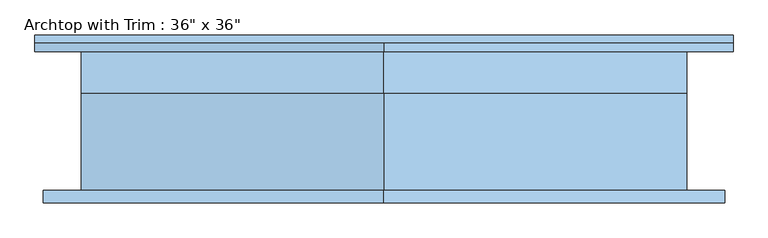
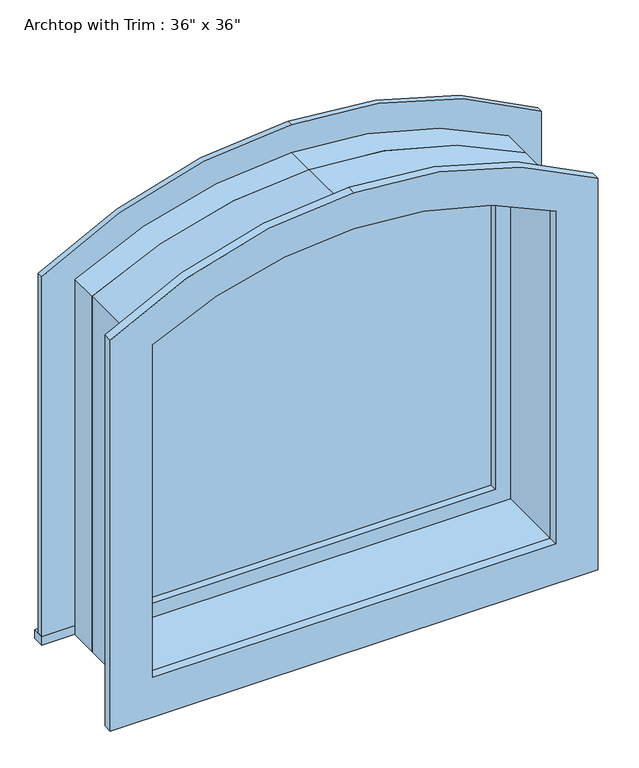
"""IFC4 building model written with IfcOpenShell, lengths in millimetres: window geometry."""

from ifc_helpers import new_model, si_unit, point, frame, frame_2d, origin, place, context, project, spatial, polyline, circle_curve, trimmed, segment, composite_curve, outline, extrude, source, transform, mapped, element, save


def window_190cc9af(model_context):
    return source(origin(), model_context, "Body", "SweptSolid", [
        extrude(outline(composite_curve([segment(polyline([(641.35, 450.130298), (1390.4176484, 450.130298)]), True, "CONTINUOUS"), segment(trimmed(circle_curve(frame_2d((609.6, 11.980298)), 895.35), [point((1390.4176484, 450.130298))], [point((1504.95, 11.980298))], False, "CARTESIAN"), True, "CONTINUOUS"), segment(trimmed(circle_curve(frame_2d((609.6, 11.980298)), 895.35), [point((1504.95, 11.980298))], [point((1390.4176484, -426.1697019))], False, "CARTESIAN"), True, "CONTINUOUS"), segment(polyline([(1390.4176484, -426.1697019), (641.35, -426.1697019), (641.35, 450.130298)]), True, "CONTINUOUS")], self_intersect=False), holes=[composite_curve([segment(polyline([(673.1, 405.680298), (673.1, -381.719702), (1367.5211144, -381.719702)]), True, "CONTINUOUS"), segment(trimmed(circle_curve(frame_2d((609.6, 11.980298)), 854.075), [point((1367.5211144, -381.719702))], [point((1463.675, 11.980298))], True, "CARTESIAN"), True, "CONTINUOUS"), segment(trimmed(circle_curve(frame_2d((609.6, 11.980298)), 854.075), [point((1463.675, 11.980298))], [point((1367.5211144, 405.680298))], True, "CARTESIAN"), True, "CONTINUOUS"), segment(polyline([(1367.5211144, 405.680298), (673.1, 405.680298)]), True, "CONTINUOUS")], self_intersect=False)]), frame((0.0, 41.275, 0.0), z_axis=(0.0, 1.0, 0.0), x_axis=(0.0, 0.0, 1.0)), (0.0, 0.0, 1.0), 44.45),
        extrude(outline(polyline([(-515.0697019, 130.175), (539.030298, 130.175), (539.030298, 104.775), (-515.0697019, 104.775), (-515.0697019, 130.175)])), frame((0.0, 0.0, 609.6), z_axis=(0.0, 0.0, 1.0), x_axis=(1.0, 0.0, 0.0)), (0.0, 0.0, 1.0), 19.05),
        extrude(outline(composite_curve([segment(polyline([(628.65, 450.1302979), (628.65, 539.030298), (1431.5462001, 539.030298)]), True, "CONTINUOUS"), segment(trimmed(circle_curve(frame_2d((609.6, 11.980298)), 976.4103944), [point((1431.5462001, 539.030298))], [point((1586.0103944, 11.980298))], False, "CARTESIAN"), True, "CONTINUOUS"), segment(trimmed(circle_curve(frame_2d((609.6, 11.980298)), 976.4103944), [point((1586.0103944, 11.980298))], [point((1431.5462002, -515.0697019))], False, "CARTESIAN"), True, "CONTINUOUS"), segment(polyline([(1431.5462002, -515.0697019), (628.65, -515.0697019), (628.65, -426.1697019), (1390.4176484, -426.1697019)]), True, "CONTINUOUS"), segment(trimmed(circle_curve(frame_2d((609.6, 11.980298)), 895.35), [point((1390.4176484, -426.1697019))], [point((1504.95, 11.980298))], True, "CARTESIAN"), True, "CONTINUOUS"), segment(trimmed(circle_curve(frame_2d((609.6, 11.980298)), 895.35), [point((1504.95, 11.980298))], [point((1390.4176484, 450.1302979))], True, "CARTESIAN"), True, "CONTINUOUS"), segment(polyline([(1390.4176484, 450.1302979), (628.65, 450.1302979)]), True, "CONTINUOUS")], self_intersect=False)), frame((0.0, 104.775, 0.0), z_axis=(0.0, 1.0, 0.0), x_axis=(0.0, 0.0, 1.0)), (0.0, 0.0, 1.0), 12.7),
        extrude(outline(composite_curve([segment(polyline([(552.45, -502.369702), (552.45, 526.3302979), (1424.3785921, 526.3302979)]), True, "CONTINUOUS"), segment(trimmed(circle_curve(frame_2d((609.6, 11.980298)), 963.5455758), [point((1424.3785921, 526.3302979))], [point((1573.1455758, 11.980298))], False, "CARTESIAN"), True, "CONTINUOUS"), segment(trimmed(circle_curve(frame_2d((609.6, 11.980298)), 963.5455758), [point((1573.1455758, 11.980298))], [point((1424.3785921, -502.369702))], False, "CARTESIAN"), True, "CONTINUOUS"), segment(polyline([(1424.3785921, -502.369702), (552.45, -502.369702)]), True, "CONTINUOUS")], self_intersect=False), holes=[composite_curve([segment(polyline([(641.35, -413.4697027), (1382.9455369, -413.4697027)]), True, "CONTINUOUS"), segment(trimmed(circle_curve(frame_2d((609.6, 11.980298)), 882.65), [point((1382.9455369, -413.4697027))], [point((1492.25, 11.980298))], True, "CARTESIAN"), True, "CONTINUOUS"), segment(trimmed(circle_curve(frame_2d((609.6000002, 11.980298)), 882.6499998), [point((1492.25, 11.980298))], [point((1382.9455369, 437.4302987))], True, "CARTESIAN"), True, "CONTINUOUS"), segment(polyline([(1382.9455369, 437.4302987), (641.35, 437.4302987), (641.35, -413.4697027)]), True, "CONTINUOUS")], self_intersect=False)]), frame((0.0, -123.825, 0.0), z_axis=(0.0, 1.0, 0.0), x_axis=(0.0, 0.0, 1.0)), (0.0, 0.0, 1.0), 19.05),
        extrude(outline(composite_curve([segment(polyline([(673.1, -381.7197017), (673.1, 405.6802981), (1367.8186461, 405.6802981)]), True, "CONTINUOUS"), segment(trimmed(circle_curve(frame_2d((609.6, 11.9802983)), 854.3390458), [point((1367.8186461, 405.6802981))], [point((1463.9390458, 11.9802983))], False, "CARTESIAN"), True, "CONTINUOUS"), segment(trimmed(circle_curve(frame_2d((609.6, 11.9802983)), 854.3390458), [point((1463.9390458, 11.9802983))], [point((1367.818646, -381.7197017))], False, "CARTESIAN"), True, "CONTINUOUS"), segment(polyline([(1367.818646, -381.7197017), (673.1, -381.7197017)]), True, "CONTINUOUS")], self_intersect=False)), frame((0.0, 57.15, 0.0), z_axis=(0.0, 1.0, 0.0), x_axis=(0.0, 0.0, 1.0)), (0.0, 0.0, 1.0), 12.7),
        extrude(outline(composite_curve([segment(polyline([(609.6, 469.180298), (1401.4936292, 469.180298)]), True, "CONTINUOUS"), segment(trimmed(circle_curve(frame_2d((609.6, 11.980298)), 914.4), [point((1401.4936292, 469.180298))], [point((1524.0, 11.980298))], False, "CARTESIAN"), True, "CONTINUOUS"), segment(trimmed(circle_curve(frame_2d((609.6, 11.980298)), 914.4), [point((1524.0, 11.980298))], [point((1401.4936292, -445.219702))], False, "CARTESIAN"), True, "CONTINUOUS"), segment(polyline([(1401.4936292, -445.219702), (609.6, -445.219702), (609.6, 469.180298)]), True, "CONTINUOUS")], self_intersect=False), holes=[composite_curve([segment(polyline([(641.35, 437.4302987), (641.35, -413.469702), (1386.4470493, -413.469702)]), True, "CONTINUOUS"), segment(trimmed(circle_curve(frame_2d((609.6, 11.980298)), 885.7195044), [point((1386.4470493, -413.469702))], [point((1495.3195044, 11.980298))], True, "CARTESIAN"), True, "CONTINUOUS"), segment(trimmed(circle_curve(frame_2d((609.6, 11.980298)), 885.7195044), [point((1495.3195044, 11.980298))], [point((1386.4470489, 437.4302987))], True, "CARTESIAN"), True, "CONTINUOUS"), segment(polyline([(1386.4470489, 437.4302987), (641.35, 437.4302987)]), True, "CONTINUOUS")], self_intersect=False)]), frame((0.0, -104.775, 0.0), z_axis=(0.0, 1.0, 0.0), x_axis=(0.0, 0.0, 1.0)), (0.0, 0.0, 1.0), 146.05),
        extrude(outline(composite_curve([segment(polyline([(609.6, -445.219702), (609.6, 469.180298), (1401.4936292, 469.180298)]), True, "CONTINUOUS"), segment(trimmed(circle_curve(frame_2d((609.6, 11.980298)), 914.4), [point((1401.4936292, 469.180298))], [point((1524.0, 11.980298))], False, "CARTESIAN"), True, "CONTINUOUS"), segment(trimmed(circle_curve(frame_2d((609.6, 11.980298)), 914.4), [point((1524.0, 11.980298))], [point((1401.4936292, -445.219702))], False, "CARTESIAN"), True, "CONTINUOUS"), segment(polyline([(1401.4936292, -445.219702), (609.6, -445.219702)]), True, "CONTINUOUS")], self_intersect=False), holes=[composite_curve([segment(polyline([(628.65, -426.1697019), (1392.5004065, -426.1697019)]), True, "CONTINUOUS"), segment(trimmed(circle_curve(frame_2d((609.6, 11.980298)), 897.1669125), [point((1392.5004065, -426.1697019))], [point((1506.7669125, 11.980298))], True, "CARTESIAN"), True, "CONTINUOUS"), segment(trimmed(circle_curve(frame_2d((609.6, 11.980298)), 897.1669125), [point((1506.7669125, 11.980298))], [point((1392.5004065, 450.130298))], True, "CARTESIAN"), True, "CONTINUOUS"), segment(polyline([(1392.5004065, 450.130298), (628.65, 450.130298), (628.65, -426.1697019)]), True, "CONTINUOUS")], self_intersect=False)]), frame((0.0, 41.275, 0.0), z_axis=(0.0, 1.0, 0.0), x_axis=(0.0, 0.0, 1.0)), (0.0, 0.0, 1.0), 63.5),
    ])


if __name__ == "__main__":
    model = new_model("IFC4")
    model_context = context("Model", 3, world=origin())
    ifc_project = project(units=[si_unit("LENGTHUNIT", "METRE", prefix="MILLI")], contexts=[model_context])
    site = spatial("IfcSite", under=ifc_project)
    building = spatial("IfcBuilding", under=site)
    placement = place(None, origin())
    window_shape = window_190cc9af(model_context)
    element("IfcWindow", 1, ObjectType="Archtop with Trim : 36\" x 36\"", at=placement, inside=building, context=model_context, shape_type="MappedRepresentation", body=[
        mapped(window_shape, transform((0.0, 0.0, 0.0), x_axis=(1.0, 0.0, 0.0), y_axis=(0.0, 1.0, 0.0), z_axis=(0.0, 0.0, 1.0))),
    ])
    save(model, "model.ifc")
